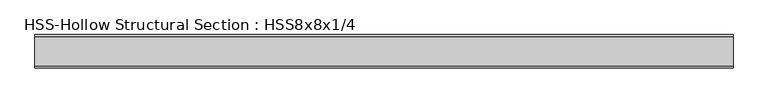
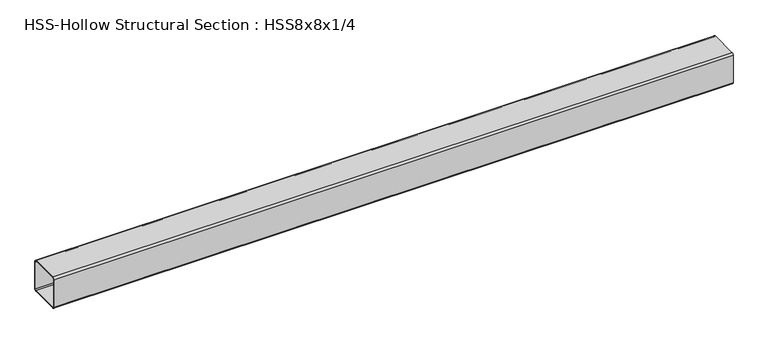
"""IFC4 building model written with IfcOpenShell, lengths in millimetres: member geometry, HSS-Hollow Structural Section : HSS8x8x1/4."""

from ifc_helpers import new_model, si_unit, point, frame, frame_2d, origin, place, context, project, spatial, polyline, circle_curve, trimmed, segment, composite_curve, outline, extrude, source, transform, mapped, element, save


def hss_hollow_structural_section_hss8x8x1_4_af256e2d(model_context):
    return source(origin(), model_context, "Body", "SweptSolid", [
        extrude(outline(composite_curve([segment(polyline([(101.6, 89.7636), (101.6, -89.7636)]), True, "CONTINUOUS"), segment(trimmed(circle_curve(frame_2d((89.7636, -89.7636)), 11.8364), [point((101.6, -89.7636))], [point((89.7636, -101.6))], False, "CARTESIAN"), True, "CONTINUOUS"), segment(polyline([(89.7636, -101.6), (-89.7636, -101.6)]), True, "CONTINUOUS"), segment(trimmed(circle_curve(frame_2d((-89.7636, -89.7636)), 11.8364), [point((-89.7636, -101.6))], [point((-101.6, -89.7636))], False, "CARTESIAN"), True, "CONTINUOUS"), segment(polyline([(-101.6, -89.7636), (-101.6, 89.7636)]), True, "CONTINUOUS"), segment(trimmed(circle_curve(frame_2d((-89.7636, 89.7636)), 11.8364), [point((-101.6, 89.7636))], [point((-89.7636, 101.6))], False, "CARTESIAN"), True, "CONTINUOUS"), segment(polyline([(-89.7636, 101.6), (89.7636, 101.6)]), True, "CONTINUOUS"), segment(trimmed(circle_curve(frame_2d((89.7636, 89.7636)), 11.8364), [point((89.7636, 101.6))], [point((101.6, 89.7636))], False, "CARTESIAN"), True, "CONTINUOUS")], self_intersect=False), holes=[composite_curve([segment(trimmed(circle_curve(frame_2d((-89.7636, 89.7636)), 5.9182), [point((-89.7636, 95.6818))], [point((-95.6818, 89.7636))], True, "CARTESIAN"), True, "CONTINUOUS"), segment(polyline([(-95.6818, 89.7636), (-95.6818, -89.7636)]), True, "CONTINUOUS"), segment(trimmed(circle_curve(frame_2d((-89.7636, -89.7636)), 5.9182), [point((-95.6818, -89.7636))], [point((-89.7636, -95.6818))], True, "CARTESIAN"), True, "CONTINUOUS"), segment(polyline([(-89.7636, -95.6818), (89.7636, -95.6818)]), True, "CONTINUOUS"), segment(trimmed(circle_curve(frame_2d((89.7636, -89.7636)), 5.9182), [point((89.7636, -95.6818))], [point((95.6818, -89.7636))], True, "CARTESIAN"), True, "CONTINUOUS"), segment(polyline([(95.6818, -89.7636), (95.6818, 89.7636)]), True, "CONTINUOUS"), segment(trimmed(circle_curve(frame_2d((89.7636, 89.7636)), 5.9182), [point((95.6818, 89.7636))], [point((89.7636, 95.6818))], True, "CARTESIAN"), True, "CONTINUOUS"), segment(polyline([(89.7636, 95.6818), (-89.7636, 95.6818)]), True, "CONTINUOUS")], self_intersect=False)]), frame((-1998.4214802, 0.0, 0.0), z_axis=(1.0, 0.0, 0.0), x_axis=(0.0, 1.0, 0.0)), (0.0, 0.0, 1.0), 4234.0384369),
    ])


if __name__ == "__main__":
    model = new_model("IFC4")
    model_context = context("Model", 3, world=origin())
    ifc_project = project(units=[si_unit("LENGTHUNIT", "METRE", prefix="MILLI")], contexts=[model_context])
    site = spatial("IfcSite", under=ifc_project)
    building = spatial("IfcBuilding", under=site)
    placement = place(None, origin())
    hss_hollow_structural_section_hss8x8x1_4_shape = hss_hollow_structural_section_hss8x8x1_4_af256e2d(model_context)
    element("IfcMember", 1, ObjectType="HSS-Hollow Structural Section : HSS8x8x1/4", at=placement, inside=building, context=model_context, shape_type="MappedRepresentation", body=[
        mapped(hss_hollow_structural_section_hss8x8x1_4_shape, transform((0.0, 0.0, 0.0), x_axis=(1.0, 0.0, 0.0), y_axis=(0.0, 1.0, 0.0), z_axis=(0.0, 0.0, 1.0))),
    ])
    save(model, "model.ifc")
